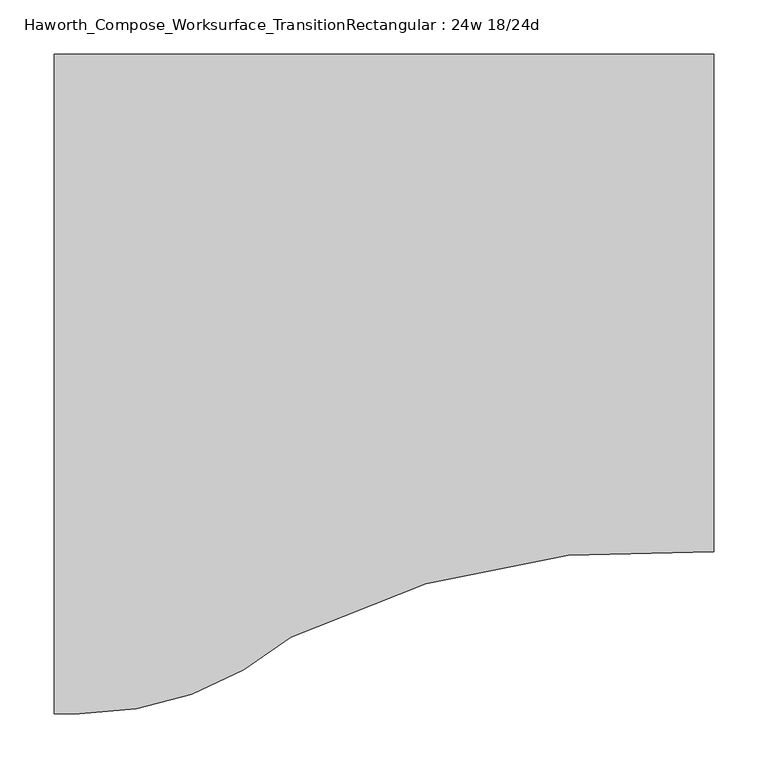
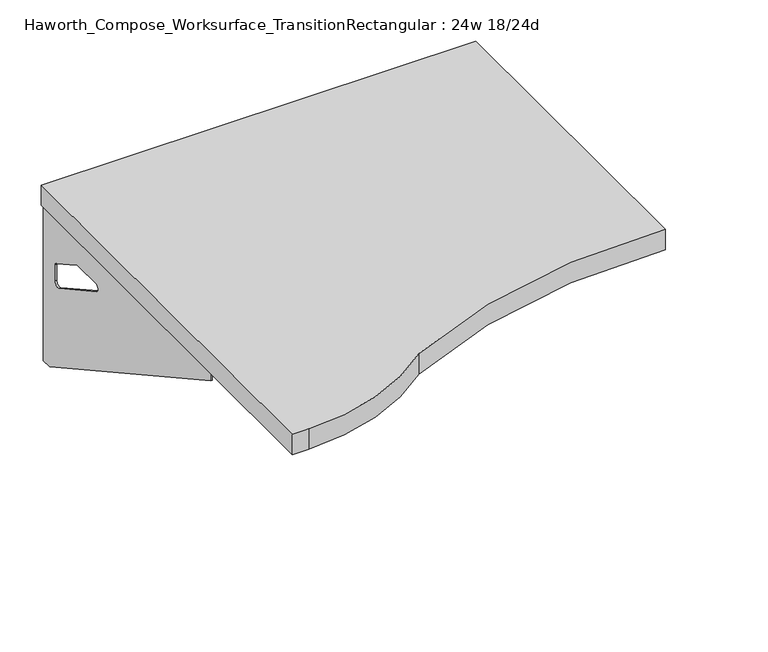
"""IFC4 building model written with IfcOpenShell, lengths in millimetres: furniture geometry, Haworth_Compose_Worksurface_TransitionRectangular : 24w 18/24d."""

from ifc_helpers import new_model, si_unit, point, frame, frame_2d, origin, place, context, project, spatial, polyline, circle_curve, trimmed, segment, composite_curve, outline, extrude, source, transform, mapped, element, save
from ifc_brep_helpers import plane_surface, revolved_surface, advanced_brep


def haworth_compose_worksurface_transitionrectangular_24w_18_24d_c6649521(model_context):
    return source(origin(), model_context, "Body", "SolidModel", [
        advanced_brep(
        [(280.19375, 152.4, 475.45625), (280.19375, 136.525, 475.45625), (280.19375, -254.0, 691.7192568), (280.19375, -254.0, 704.05625), (280.19375, 136.525, 704.05625), (280.19375, 152.4, 704.05625), (280.19375, 69.090072, 665.95625), (280.19375, 25.4355284, 665.95625), (280.19375, 22.7564235, 656.3705539), (280.19375, 114.4776173, 605.5776439), (280.19375, 123.825, 611.1756969), (280.19375, 123.825, 634.6860246), (280.19375, 122.0730055, 637.5242776), (280.19375, 72.1663437, 665.1613425), (282.575, 152.4, 475.45625), (282.575, 152.4, 704.05625), (282.575, 136.525, 704.05625), (282.575, 136.525, 706.4375), (282.575, -254.0, 706.4375), (282.575, -254.0, 691.7192568), (282.575, 136.525, 475.45625), (282.575, 69.090072, 665.95625), (282.575, 72.1663437, 665.1613425), (282.575, 122.0730055, 637.5242776), (282.575, 123.825, 634.6860246), (282.575, 123.825, 611.1756969), (282.575, 114.4776173, 605.5776439), (282.575, 22.7564235, 656.3705539), (282.575, 25.4355284, 665.95625), (241.3, -254.0, 706.4375), (241.3, -254.0, 704.05625), (241.3, 136.525, 704.05625), (241.3, 136.525, 706.4375)],
        [
            (0, 1),
            (1, 2),
            (2, 3),
            (3, 4),
            (4, 5),
            (5, 0),
            (6, 7),
            (7, 8, circle_curve(frame((280.19375, 25.4355284, 660.7890106), z_axis=(1.0, 0.0, 0.0), x_axis=(0.0, -1.0, 0.0)), 5.1672394)),
            (8, 9),
            (9, 10, circle_curve(frame((280.19375, 117.475, 611.1756969), z_axis=(1.0, 0.0, 0.0), x_axis=(0.0, -1.0, 0.0)), 6.35)),
            (10, 11),
            (11, 12, circle_curve(frame((280.19375, 120.65, 634.6860246), z_axis=(1.0, 0.0, 0.0), x_axis=(0.0, -1.0, 0.0)), 3.175)),
            (12, 13),
            (13, 6, circle_curve(frame((280.19375, 69.090072, 659.60625), z_axis=(1.0, 0.0, 0.0), x_axis=(0.0, -1.0, 0.0)), 6.35)),
            (14, 15),
            (15, 16),
            (16, 17),
            (17, 18),
            (18, 19),
            (19, 20),
            (20, 14),
            (21, 22, circle_curve(frame((282.575, 69.090072, 659.60625), z_axis=(-1.0, 0.0, 0.0), x_axis=(0.0, -1.0, 0.0)), 6.35)),
            (22, 23),
            (23, 24, circle_curve(frame((282.575, 120.65, 634.6860246), z_axis=(-1.0, 0.0, 0.0), x_axis=(0.0, -1.0, 0.0)), 3.175)),
            (24, 25),
            (25, 26, circle_curve(frame((282.575, 117.475, 611.1756969), z_axis=(-1.0, 0.0, 0.0), x_axis=(0.0, -1.0, 0.0)), 6.35)),
            (26, 27),
            (27, 28, circle_curve(frame((282.575, 25.4355284, 660.7890106), z_axis=(-1.0, 0.0, 0.0), x_axis=(0.0, -1.0, 0.0)), 5.1672394)),
            (28, 21),
            (4, 16),
            (15, 5),
            (14, 0),
            (20, 1),
            (19, 2),
            (18, 29),
            (29, 30),
            (30, 3),
            (6, 21),
            (28, 7),
            (9, 26),
            (25, 10),
            (24, 11),
            (23, 12),
            (27, 8),
            (31, 4),
            (30, 31),
            (32, 29),
            (17, 32),
            (31, 32),
            (22, 13),
        ],
        [
            plane_surface(frame((280.19375, 152.4, 475.45625), z_axis=(-1.0, 0.0, 0.0), x_axis=(0.0, 1.0, 0.0))),
            plane_surface(frame((282.575, 152.4, 475.45625), z_axis=(1.0, 0.0, 0.0), x_axis=(0.0, -1.0, 0.0))),
            plane_surface(frame((282.575, -254.0, 704.05625), z_axis=(0.0, 0.0, 1.0), x_axis=(-1.0, 0.0, 0.0))),
            plane_surface(frame((282.575, 152.4, 704.05625), z_axis=(0.0, 1.0, 0.0), x_axis=(-1.0, 0.0, 0.0))),
            plane_surface(frame((282.575, 152.4, 475.45625), z_axis=(0.0, 0.0, -1.0), x_axis=(-1.0, 0.0, 0.0))),
            plane_surface(frame((282.575, 136.525, 475.45625), z_axis=(0.0, -0.48445223513455843, -0.8748177135112952), x_axis=(-1.0, 0.0, 0.0))),
            plane_surface(frame((282.575, -254.0, 691.7192568), z_axis=(0.0, -1.0, 0.0), x_axis=(-1.0, 0.0, 0.0))),
            plane_surface(frame((282.575, 69.090072, 665.95625), z_axis=(0.0, 0.0, -1.0), x_axis=(-1.0, 0.0, 0.0))),
            revolved_surface(polyline([(280.19375, 111.125, 611.1756969), (282.575, 111.125, 611.1756969)]), (282.575, 117.475, 611.1756969), (-1.0, 0.0, 0.0)),
            plane_surface(frame((282.575, 123.825, 611.1756969), z_axis=(0.0, -1.0, 0.0), x_axis=(-1.0, 0.0, 0.0))),
            revolved_surface(polyline([(280.19375, 117.47500000000001, 634.6860246), (282.575, 117.47500000000001, 634.6860246)]), (282.575, 120.65, 634.6860246), (-1.0, 0.0, 0.0)),
            revolved_surface(polyline([(280.19375, 20.268289, 660.7890106), (282.575, 20.268289, 660.7890106)]), (282.575, 25.4355284, 660.7890106), (-1.0, 0.0, 0.0)),
            plane_surface(frame((282.575, 136.525, 704.05625), z_axis=(0.0, 0.0, -1.0), x_axis=(-1.0, 0.0, 0.0))),
            plane_surface(frame((282.575, 136.525, 706.4375), z_axis=(0.0, 0.0, 1.0), x_axis=(1.0, 0.0, 0.0))),
            plane_surface(frame((241.3, 136.525, 706.4375), z_axis=(0.0, 1.0, 0.0), x_axis=(0.0, 0.0, -1.0))),
            plane_surface(frame((241.3, -254.0, 706.4375), z_axis=(-1.0, 0.0, 0.0), x_axis=(0.0, 0.0, -1.0))),
            plane_surface(frame((282.575, 22.7564235, 656.3705539), z_axis=(0.0, 0.4844522351345583, 0.8748177135112953), x_axis=(-1.0, 0.0, 0.0))),
            plane_surface(frame((282.575, 122.0730055, 637.5242776), z_axis=(0.0, -0.4844522351345582, -0.8748177135112953), x_axis=(-1.0, 0.0, 0.0))),
            revolved_surface(polyline([(280.19375, 62.740072000000005, 659.60625), (282.575, 62.740072000000005, 659.60625)]), (282.575, 69.090072, 659.60625), (-1.0, 0.0, 0.0)),
        ],
        [
            (0, [[1, 2, 3, 4, 5, 6], [7, 8, 9, 10, 11, 12, 13, 14]]),
            (1, [[15, 16, 17, 18, 19, 20, 21], [22, 23, 24, 25, 26, 27, 28, 29]]),
            (2, [[-5, 30, -16, 31]]),
            (3, [[-31, -15, 32, -6]]),
            (4, [[-32, -21, 33, -1]]),
            (5, [[-33, -20, 34, -2]]),
            (6, [[-34, -19, 35, 36, 37, -3]]),
            (7, [[38, -29, 39, -7]]),
            (8, [[40, -26, 41, -10]]),
            (9, [[-41, -25, 42, -11]]),
            (10, [[-42, -24, 43, -12]]),
            (11, [[-39, -28, 44, -8]]),
            (12, [[45, -4, -37, 46]]),
            (13, [[47, -35, -18, 48]]),
            (14, [[-17, -30, -45, 49, -48]]),
            (15, [[-36, -47, -49, -46]]),
            (16, [[-44, -27, -40, -9]]),
            (17, [[-43, -23, 50, -13]]),
            (18, [[-50, -22, -38, -14]]),
        ],
    ),
        advanced_brep(
        [(-318.29375, 152.4, 475.45625), (-318.29375, 152.4, 704.05625), (-318.29375, 136.525, 704.05625), (-318.29375, -254.0, 704.05625), (-318.29375, -254.0, 691.7192568), (-318.29375, 136.525, 475.45625), (-318.29375, 69.090072, 665.95625), (-318.29375, 72.1663437, 665.1613425), (-318.29375, 122.0730055, 637.5242776), (-318.29375, 123.825, 634.6860246), (-318.29375, 123.825, 611.1756969), (-318.29375, 114.4776173, 605.5776439), (-318.29375, 22.7564235, 656.3705539), (-318.29375, 25.4355284, 665.95625), (-320.675, 152.4, 475.45625), (-320.675, 136.525, 475.45625), (-320.675, -254.0, 691.7192568), (-320.675, -254.0, 706.4375), (-320.675, 136.525, 706.4375), (-320.675, 136.525, 704.05625), (-320.675, 152.4, 704.05625), (-320.675, 69.090072, 665.95625), (-320.675, 25.4355284, 665.95625), (-320.675, 22.7564235, 656.3705539), (-320.675, 114.4776173, 605.5776439), (-320.675, 123.825, 611.1756969), (-320.675, 123.825, 634.6860246), (-320.675, 122.0730055, 637.5242776), (-320.675, 72.1663437, 665.1613425), (-279.4, -254.0, 704.05625), (-279.4, -254.0, 706.4375), (-279.4, 136.525, 704.05625), (-279.4, 136.525, 706.4375)],
        [
            (0, 1),
            (1, 2),
            (2, 3),
            (3, 4),
            (4, 5),
            (5, 0),
            (6, 7, circle_curve(frame((-318.29375, 69.090072, 659.60625), z_axis=(-1.0, 0.0, 0.0), x_axis=(0.0, -1.0, 0.0)), 6.35)),
            (7, 8),
            (8, 9, circle_curve(frame((-318.29375, 120.65, 634.6860246), z_axis=(-1.0, 0.0, 0.0), x_axis=(0.0, -1.0, 0.0)), 3.175)),
            (9, 10),
            (10, 11, circle_curve(frame((-318.29375, 117.475, 611.1756969), z_axis=(-1.0, 0.0, 0.0), x_axis=(0.0, -1.0, 0.0)), 6.35)),
            (11, 12),
            (12, 13, circle_curve(frame((-318.29375, 25.4355284, 660.7890106), z_axis=(-1.0, 0.0, 0.0), x_axis=(0.0, -1.0, 0.0)), 5.1672394)),
            (13, 6),
            (14, 15),
            (15, 16),
            (16, 17),
            (17, 18),
            (18, 19),
            (19, 20),
            (20, 14),
            (21, 22),
            (22, 23, circle_curve(frame((-320.675, 25.4355284, 660.7890106), z_axis=(1.0, 0.0, 0.0), x_axis=(0.0, -1.0, 0.0)), 5.1672394)),
            (23, 24),
            (24, 25, circle_curve(frame((-320.675, 117.475, 611.1756969), z_axis=(1.0, 0.0, 0.0), x_axis=(0.0, -1.0, 0.0)), 6.35)),
            (25, 26),
            (26, 27, circle_curve(frame((-320.675, 120.65, 634.6860246), z_axis=(1.0, 0.0, 0.0), x_axis=(0.0, -1.0, 0.0)), 3.175)),
            (27, 28),
            (28, 21, circle_curve(frame((-320.675, 69.090072, 659.60625), z_axis=(1.0, 0.0, 0.0), x_axis=(0.0, -1.0, 0.0)), 6.35)),
            (1, 20),
            (19, 2),
            (0, 14),
            (5, 15),
            (4, 16),
            (3, 29),
            (29, 30),
            (30, 17),
            (13, 22),
            (21, 6),
            (10, 25),
            (24, 11),
            (9, 26),
            (8, 27),
            (12, 23),
            (31, 29),
            (2, 31),
            (32, 18),
            (30, 32),
            (32, 31),
            (7, 28),
        ],
        [
            plane_surface(frame((-318.29375, 152.4, 475.45625), z_axis=(1.0, 0.0, 0.0), x_axis=(0.0, 1.0, 0.0))),
            plane_surface(frame((-320.675, 152.4, 475.45625), z_axis=(-1.0, 0.0, 0.0), x_axis=(0.0, -1.0, 0.0))),
            plane_surface(frame((-320.675, -254.0, 704.05625), z_axis=(0.0, 0.0, 1.0), x_axis=(1.0, 0.0, 0.0))),
            plane_surface(frame((-320.675, 152.4, 704.05625), z_axis=(0.0, 1.0, 0.0), x_axis=(1.0, 0.0, 0.0))),
            plane_surface(frame((-320.675, 152.4, 475.45625), z_axis=(0.0, 0.0, -1.0), x_axis=(1.0, 0.0, 0.0))),
            plane_surface(frame((-320.675, 136.525, 475.45625), z_axis=(0.0, -0.48445223513455843, -0.8748177135112952), x_axis=(1.0, 0.0, 0.0))),
            plane_surface(frame((-320.675, -254.0, 691.7192568), z_axis=(0.0, -1.0, 0.0), x_axis=(1.0, 0.0, 0.0))),
            plane_surface(frame((-320.675, 69.090072, 665.95625), z_axis=(0.0, 0.0, -1.0), x_axis=(1.0, 0.0, 0.0))),
            revolved_surface(polyline([(-318.29375, 111.125, 611.1756969), (-320.675, 111.125, 611.1756969)]), (-320.675, 117.475, 611.1756969), (1.0, 0.0, 0.0)),
            plane_surface(frame((-320.675, 123.825, 611.1756969), z_axis=(0.0, -1.0, 0.0), x_axis=(1.0, 0.0, 0.0))),
            revolved_surface(polyline([(-318.29375, 117.47500000000001, 634.6860246), (-320.675, 117.47500000000001, 634.6860246)]), (-320.675, 120.65, 634.6860246), (1.0, 0.0, 0.0)),
            revolved_surface(polyline([(-318.29375, 20.268289, 660.7890106), (-320.675, 20.268289, 660.7890106)]), (-320.675, 25.4355284, 660.7890106), (1.0, 0.0, 0.0)),
            plane_surface(frame((-320.675, 136.525, 704.05625), z_axis=(0.0, 0.0, -1.0), x_axis=(1.0, 0.0, 0.0))),
            plane_surface(frame((-320.675, 136.525, 706.4375), z_axis=(0.0, 0.0, 1.0), x_axis=(-1.0, 0.0, 0.0))),
            plane_surface(frame((-279.4, 136.525, 706.4375), z_axis=(0.0, 1.0, 0.0), x_axis=(0.0, 0.0, -1.0))),
            plane_surface(frame((-279.4, -254.0, 706.4375), z_axis=(1.0, 0.0, 0.0), x_axis=(0.0, 0.0, -1.0))),
            plane_surface(frame((-320.675, 22.7564235, 656.3705539), z_axis=(0.0, 0.4844522351345583, 0.8748177135112953), x_axis=(1.0, 0.0, 0.0))),
            plane_surface(frame((-320.675, 122.0730055, 637.5242776), z_axis=(0.0, -0.4844522351345582, -0.8748177135112953), x_axis=(1.0, 0.0, 0.0))),
            revolved_surface(polyline([(-318.29375, 62.740072000000005, 659.60625), (-320.675, 62.740072000000005, 659.60625)]), (-320.675, 69.090072, 659.60625), (1.0, 0.0, 0.0)),
        ],
        [
            (0, [[1, 2, 3, 4, 5, 6], [7, 8, 9, 10, 11, 12, 13, 14]]),
            (1, [[15, 16, 17, 18, 19, 20, 21], [22, 23, 24, 25, 26, 27, 28, 29]]),
            (2, [[30, -20, 31, -2]]),
            (3, [[-1, 32, -21, -30]]),
            (4, [[-6, 33, -15, -32]]),
            (5, [[-5, 34, -16, -33]]),
            (6, [[-4, 35, 36, 37, -17, -34]]),
            (7, [[-14, 38, -22, 39]]),
            (8, [[-11, 40, -25, 41]]),
            (9, [[-10, 42, -26, -40]]),
            (10, [[-9, 43, -27, -42]]),
            (11, [[-13, 44, -23, -38]]),
            (12, [[45, -35, -3, 46]]),
            (13, [[47, -18, -37, 48]]),
            (14, [[-47, 49, -46, -31, -19]]),
            (15, [[-45, -49, -48, -36]]),
            (16, [[-12, -41, -24, -44]]),
            (17, [[-8, 50, -28, -43]]),
            (18, [[-7, -39, -29, -50]]),
        ],
    ),
        extrude(outline(composite_curve([segment(trimmed(circle_curve(frame_2d((235.5964534, -1067.8111083)), 762.0), [point((285.75, -307.4634103))], [point((-105.2473583, -386.2911188))], True, "CARTESIAN"), True, "CONTINUOUS"), segment(trimmed(circle_curve(frame_2d((-300.6904051, -152.4)), 304.8), [point((-105.2473583, -386.2911188))], [point((-300.6904051, -457.2))], False, "CARTESIAN"), True, "CONTINUOUS"), segment(polyline([(-300.6904051, -457.2), (-323.85, -457.2), (-323.85, 152.4), (285.75, 152.4), (285.75, -307.4634103)]), True, "CONTINUOUS")], self_intersect=False)), frame((0.0, 0.0, 706.4375), z_axis=(0.0, 0.0, 1.0), x_axis=(1.0, 0.0, 0.0)), (0.0, 0.0, 1.0), 30.1625),
    ])


if __name__ == "__main__":
    model = new_model("IFC4")
    model_context = context("Model", 3, world=origin())
    ifc_project = project(units=[si_unit("LENGTHUNIT", "METRE", prefix="MILLI")], contexts=[model_context])
    site = spatial("IfcSite", under=ifc_project)
    building = spatial("IfcBuilding", under=site)
    placement = place(None, origin())
    haworth_compose_worksurface_transitionrectangular_24w_18_24d_shape = haworth_compose_worksurface_transitionrectangular_24w_18_24d_c6649521(model_context)
    element("IfcFurniture", 1, ObjectType="Haworth_Compose_Worksurface_TransitionRectangular : 24w 18/24d", at=placement, inside=building, context=model_context, shape_type="MappedRepresentation", body=[
        mapped(haworth_compose_worksurface_transitionrectangular_24w_18_24d_shape, transform((0.0, 0.0, 0.0), x_axis=(1.0, 0.0, 0.0), y_axis=(0.0, 1.0, 0.0), z_axis=(0.0, 0.0, 1.0))),
    ])
    save(model, "model.ifc")
